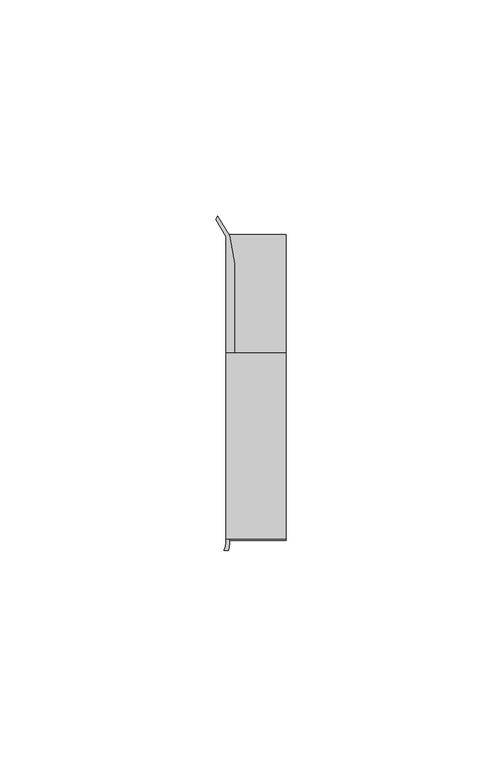
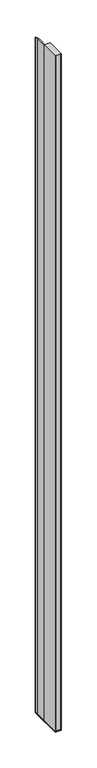
"""IFC4 building model written with IfcOpenShell, lengths in millimetres: furniture geometry."""

from ifc_helpers import new_model, si_unit, point, frame, frame_2d, origin, place, context, project, spatial, polyline, circle_curve, trimmed, segment, composite_curve, outline, extrude, source, transform, mapped, element, save


def furniture_259db664(model_context):
    return source(origin(), model_context, "Body", "SweptSolid", [
        extrude(outline(polyline([(31.9660873, 18.9594777), (31.9660873, -24.0995273), (18.0754623, -24.0995273), (18.0754623, 18.9594777), (31.9660873, 18.9594777)])), frame((0.0, 0.0, 505.5132424), z_axis=(0.0, 0.0, 1.0), x_axis=(1.0, 0.0, 0.0)), (0.0, 0.0, 1.0), 1614.0456376),
        extrude(outline(composite_curve([segment(polyline([(16.1635657, 50.6802202), (18.9314847, 46.0995711), (20.0632119, 39.6814262), (20.0632119, 18.9594777), (18.8191063, 18.9594777), (18.8191063, -23.2485144), (31.9660873, -23.2485144), (31.2224462, -24.0995273), (18.7989737, -24.0995273)]), True, "CONTINUOUS"), segment(trimmed(circle_curve(frame_2d((14.8541445, -25.0314921)), 4.0534227), [point((18.7989737, -24.0995273))], [point((18.9075389, -25.0466572))], False, "CARTESIAN"), True, "CONTINUOUS"), segment(trimmed(circle_curve(frame_2d((12.1306413, -24.765085)), 6.7827446), [point((18.9075389, -25.0466572))], [point((18.6374949, -26.6798903))], False, "CARTESIAN"), True, "CONTINUOUS"), segment(polyline([(18.6374949, -26.6798903), (17.6611556, -26.683687)]), True, "CONTINUOUS"), segment(trimmed(circle_curve(frame_2d((12.0703756, -24.4226588)), 6.0306773), [point((17.6611556, -26.683687))], [point((18.0754623, -24.9776388))], True, "CARTESIAN"), True, "CONTINUOUS"), segment(polyline([(18.0754623, -24.9776388), (18.0754623, 45.8886719), (15.7452137, 49.8958113), (16.1635657, 50.6802202)]), True, "CONTINUOUS")], self_intersect=False)), frame((0.0, 0.0, 505.5132424), z_axis=(0.0, 0.0, 1.0), x_axis=(1.0, 0.0, 0.0)), (0.0, 0.0, 1.0), 1614.0456376),
        extrude(outline(polyline([(18.0754623, -24.0995273), (18.0754623, 46.6824219), (31.9660873, 46.6824219), (31.9660873, -24.0995273), (18.0754623, -24.0995273)])), frame((0.0, 0.0, 502.98096), z_axis=(0.0, 0.0, 1.0), x_axis=(1.0, 0.0, 0.0)), (0.0, 0.0, 1.0), 2.5322824),
    ])


if __name__ == "__main__":
    model = new_model("IFC4")
    model_context = context("Model", 3, world=origin())
    ifc_project = project(units=[si_unit("LENGTHUNIT", "METRE", prefix="MILLI")], contexts=[model_context])
    site = spatial("IfcSite", under=ifc_project)
    building = spatial("IfcBuilding", under=site)
    placement = place(None, origin())
    furniture_shape = furniture_259db664(model_context)
    element("IfcFurniture", 1, at=placement, inside=building, context=model_context, shape_type="MappedRepresentation", body=[
        mapped(furniture_shape, transform((0.0, 0.0, 0.0), x_axis=(1.0, 0.0, 0.0), y_axis=(0.0, 1.0, 0.0), z_axis=(0.0, 0.0, 1.0))),
    ])
    save(model, "model.ifc")
